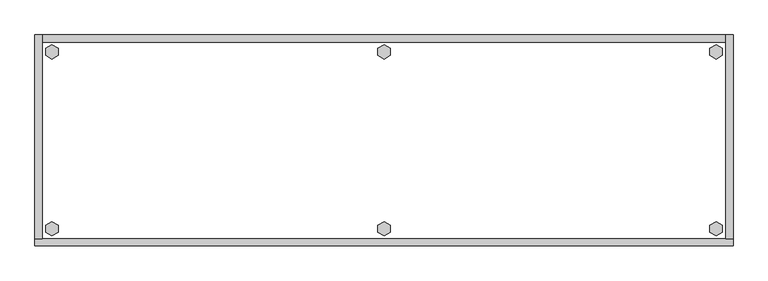
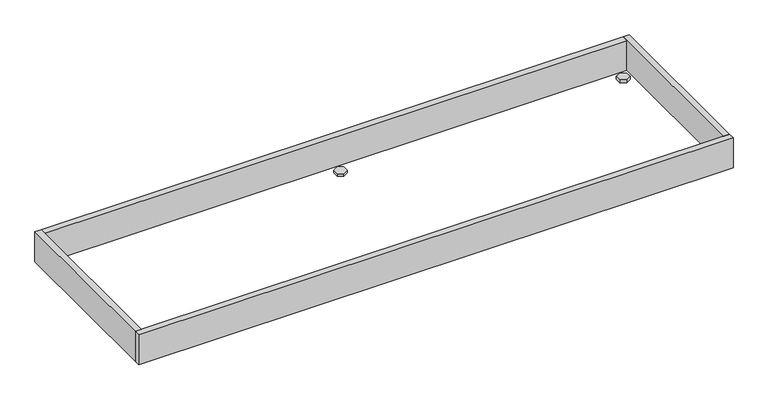
"""IFC4 building model written with IfcOpenShell, lengths in millimetres: furniture geometry."""

from ifc_helpers import new_model, si_unit, frame, origin, origin_with_axes, place, context, project, spatial, polyline, outline, extrude, source, transform, mapped, element, save


def furniture_101db336(model_context):
    return source(origin(), model_context, "Body", "SweptSolid", [
        extrude(outline(polyline([(1768.1735422, -498.8179), (1784.1214, -489.6104), (1800.0692578, -498.8179), (1800.0692578, -517.2329), (1784.1214, -526.4404), (1768.1735422, -517.2329), (1768.1735422, -498.8179)])), origin_with_axes(), (0.0, 0.0, 1.0), 9.144),
        extrude(outline(polyline([(1768.1735422, -35.4711), (1784.1214, -26.2636), (1800.0692578, -35.4711), (1800.0692578, -53.8861), (1784.1214, -63.0936), (1768.1735422, -53.8861), (1768.1735422, -35.4711)])), origin_with_axes(), (0.0, 0.0, 1.0), 9.144),
        extrude(outline(polyline([(898.4521422, -498.8179), (914.4, -489.6104), (930.3478578, -498.8179), (930.3478578, -517.2329), (914.4, -526.4404), (898.4521422, -517.2329), (898.4521422, -498.8179)])), origin_with_axes(), (0.0, 0.0, 1.0), 9.144),
        extrude(outline(polyline([(898.4521422, -35.4711), (914.4, -26.2636), (930.3478578, -35.4711), (930.3478578, -53.8861), (914.4, -63.0936), (898.4521422, -53.8861), (898.4521422, -35.4711)])), origin_with_axes(), (0.0, 0.0, 1.0), 9.144),
        extrude(outline(polyline([(28.7307422, -498.8179), (44.6786, -489.6104), (60.6264578, -498.8179), (60.6264578, -517.2329), (44.6786, -526.4404), (28.7307422, -517.2329), (28.7307422, -498.8179)])), origin_with_axes(), (0.0, 0.0, 1.0), 9.144),
        extrude(outline(polyline([(28.7307422, -35.4711), (44.6786, -26.2636), (60.6264578, -35.4711), (60.6264578, -53.8861), (44.6786, -63.0936), (28.7307422, -53.8861), (28.7307422, -35.4711)])), origin_with_axes(), (0.0, 0.0, 1.0), 9.144),
        extrude(outline(polyline([(19.304, 0.0), (19.304, -533.4), (0.0, -533.4), (0.0, 0.0), (19.304, 0.0)])), frame((0.0, 0.0, 4.699), z_axis=(0.0, 0.0, 1.0), x_axis=(1.0, 0.0, 0.0)), (0.0, 0.0, 1.0), 96.901),
        extrude(outline(polyline([(1828.8, 0.0), (1828.8, -533.4), (1809.496, -533.4), (1809.496, 0.0), (1828.8, 0.0)])), frame((0.0, 0.0, 4.699), z_axis=(0.0, 0.0, 1.0), x_axis=(1.0, 0.0, 0.0)), (0.0, 0.0, 1.0), 96.901),
        extrude(outline(polyline([(1809.496, -19.304), (19.304, -19.304), (19.304, 0.0), (1809.496, 0.0), (1809.496, -19.304)])), frame((0.0, 0.0, 4.699), z_axis=(0.0, 0.0, 1.0), x_axis=(1.0, 0.0, 0.0)), (0.0, 0.0, 1.0), 96.901),
        extrude(outline(polyline([(1828.8, -533.4), (1828.8, -552.704), (0.0, -552.704), (0.0, -533.4), (1828.8, -533.4)])), frame((0.0, 0.0, 4.699), z_axis=(0.0, 0.0, 1.0), x_axis=(1.0, 0.0, 0.0)), (0.0, 0.0, 1.0), 96.901),
    ])


if __name__ == "__main__":
    model = new_model("IFC4")
    model_context = context("Model", 3, world=origin())
    ifc_project = project(units=[si_unit("LENGTHUNIT", "METRE", prefix="MILLI")], contexts=[model_context])
    site = spatial("IfcSite", under=ifc_project)
    building = spatial("IfcBuilding", under=site)
    placement = place(None, origin())
    furniture_shape = furniture_101db336(model_context)
    element("IfcFurniture", 1, at=placement, inside=building, context=model_context, shape_type="MappedRepresentation", body=[
        mapped(furniture_shape, transform((0.0, 0.0, 0.0), x_axis=(1.0, 0.0, 0.0), y_axis=(0.0, 1.0, 0.0), z_axis=(0.0, 0.0, 1.0))),
    ])
    save(model, "model.ifc")
